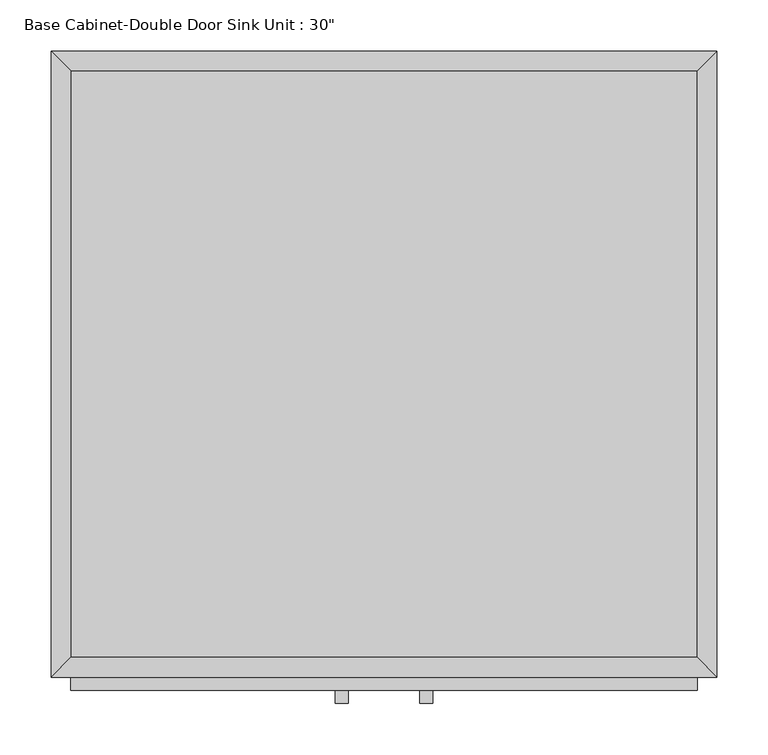
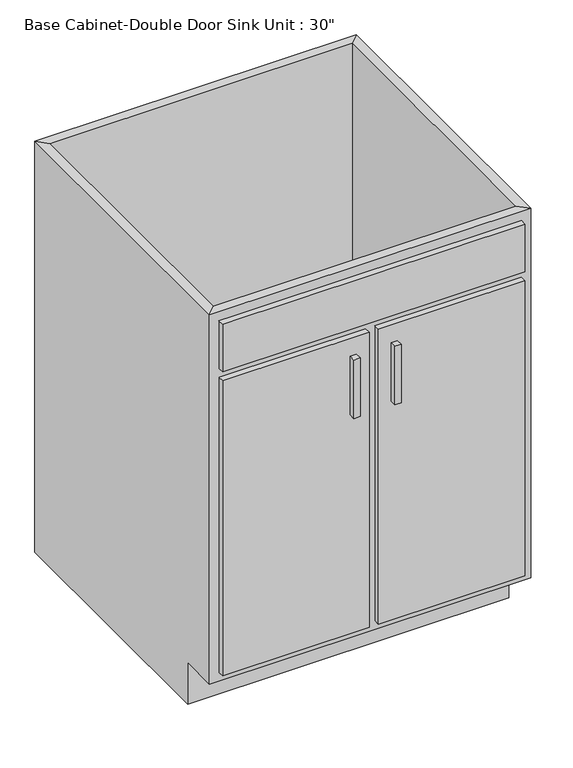
"""IFC4 building model written with IfcOpenShell, lengths in millimetres: furniture geometry."""

from ifc_helpers import new_model, si_unit, frame, origin, place, context, project, spatial, polyline, outline, extrude, faceted_brep, source, transform, mapped, element, save


def furniture_3a71eb90(model_context):
    return source(origin(), model_context, "Body", "SolidModel", [
        faceted_brep([(323.5377049, -590.55, 876.3), (323.5377049, -590.55, 88.9), (-286.0622951, -590.55, 88.9), (-286.0622951, -590.55, 876.3), (-305.1122951, -609.6, 876.3), (342.5877049, -609.6, 876.3), (-305.1122951, -609.6, 88.9), (342.5877049, -609.6, 88.9), (-286.0622951, -533.4, 88.9), (-286.0622951, -19.05, 88.9), (-286.0622951, -19.05, 876.3), (-305.1122951, 0.0, 876.3), (-305.1122951, 0.0, 0.0), (-305.1122951, -533.4, 0.0), (-305.1122951, -533.4, 88.9), (323.5377049, -19.05, 88.9), (323.5377049, -19.05, 876.3), (342.5877049, 0.0, 876.3), (342.5877049, 0.0, 0.0), (323.5377049, -533.4, 88.9), (342.5877049, -533.4, 88.9), (342.5877049, -533.4, 0.0)], [[[0, 1, 2, 3]], [[0, 3, 4, 5]], [[5, 4, 6, 7]], [[2, 1, 7, 6]], [[3, 2, 8, 9, 10]], [[4, 3, 10, 11]], [[6, 4, 11, 12, 13, 14]], [[2, 6, 14, 8]], [[10, 9, 15, 16]], [[11, 10, 16, 17]], [[12, 11, 17, 18]], [[1, 0, 16, 15, 19]], [[0, 5, 17, 16]], [[5, 7, 20, 21, 18, 17]], [[7, 1, 19, 20]], [[8, 19, 15, 9]], [[18, 21, 13, 12]], [[13, 21, 20, 19, 8, 14]]]),
        extrude(outline(polyline([(-16.1872951, -635.0), (-28.8872951, -635.0), (-28.8872951, -622.3), (-16.1872951, -622.3), (-16.1872951, -635.0)])), frame((0.0, 0.0, 573.769895), z_axis=(0.0, 0.0, 1.0), x_axis=(1.0, 0.0, 0.0)), (0.0, 0.0, 1.0), 124.730105),
        extrude(outline(polyline([(66.3627049, -635.0), (53.6627049, -635.0), (53.6627049, -622.3), (66.3627049, -622.3), (66.3627049, -635.0)])), frame((0.0, 0.0, 573.769895), z_axis=(0.0, 0.0, 1.0), x_axis=(1.0, 0.0, 0.0)), (0.0, 0.0, 1.0), 124.730105),
        extrude(outline(polyline([(323.5377049, -19.05), (323.5377049, -590.55), (-286.0622951, -590.55), (-286.0622951, -19.05), (323.5377049, -19.05)])), frame((0.0, 0.0, 88.9), z_axis=(0.0, 0.0, 1.0), x_axis=(1.0, 0.0, 0.0)), (0.0, 0.0, 1.0), 19.05),
        extrude(outline(polyline([(9.2127049, -622.3), (-286.0622951, -622.3), (-286.0622951, -609.6), (9.2127049, -609.6), (9.2127049, -622.3)])), frame((0.0, 0.0, 107.95), z_axis=(0.0, 0.0, 1.0), x_axis=(1.0, 0.0, 0.0)), (0.0, 0.0, 1.0), 628.65),
        extrude(outline(polyline([(323.5377049, -622.3), (28.2627049, -622.3), (28.2627049, -609.6), (323.5377049, -609.6), (323.5377049, -622.3)])), frame((0.0, 0.0, 107.95), z_axis=(0.0, 0.0, 1.0), x_axis=(1.0, 0.0, 0.0)), (0.0, 0.0, 1.0), 628.65),
        extrude(outline(polyline([(323.5377049, -622.3), (-286.0622951, -622.3), (-286.0622951, -609.6), (323.5377049, -609.6), (323.5377049, -622.3)])), frame((0.0, 0.0, 755.65), z_axis=(0.0, 0.0, 1.0), x_axis=(1.0, 0.0, 0.0)), (0.0, 0.0, 1.0), 101.6),
    ])


if __name__ == "__main__":
    model = new_model("IFC4")
    model_context = context("Model", 3, world=origin())
    ifc_project = project(units=[si_unit("LENGTHUNIT", "METRE", prefix="MILLI")], contexts=[model_context])
    site = spatial("IfcSite", under=ifc_project)
    building = spatial("IfcBuilding", under=site)
    placement = place(None, origin())
    furniture_shape = furniture_3a71eb90(model_context)
    element("IfcFurniture", 1, ObjectType="Base Cabinet-Double Door Sink Unit : 30\"", at=placement, inside=building, context=model_context, shape_type="MappedRepresentation", body=[
        mapped(furniture_shape, transform((0.0, 0.0, 0.0), x_axis=(1.0, 0.0, 0.0), y_axis=(0.0, 1.0, 0.0), z_axis=(0.0, 0.0, 1.0))),
    ])
    save(model, "model.ifc")
